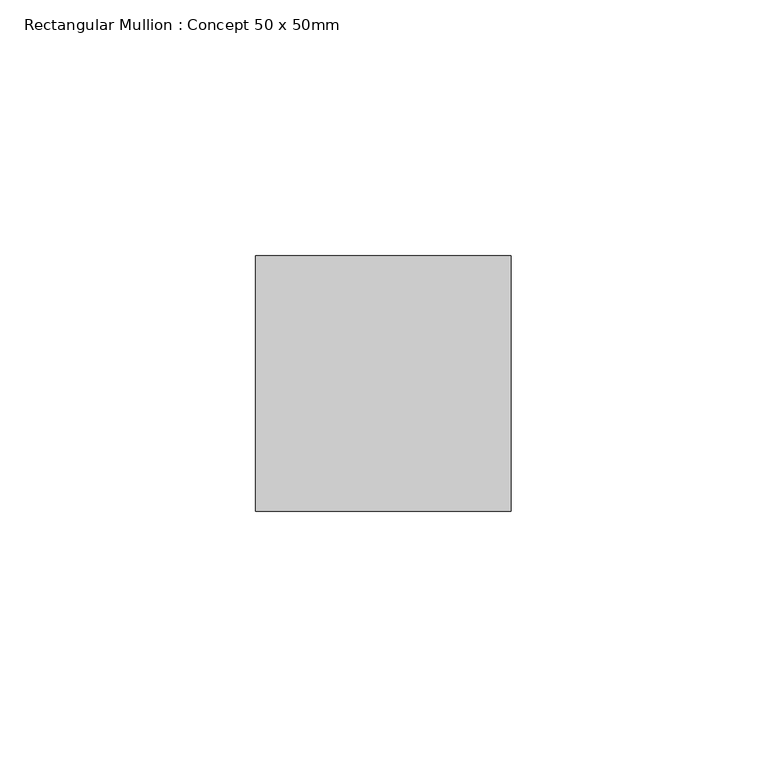
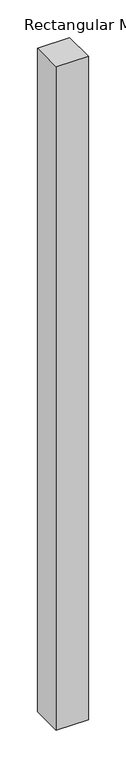
"""IFC4 building model written with IfcOpenShell, lengths in millimetres: member geometry, Rectangular Mullion : Concept 50 x 50mm."""

from ifc_helpers import new_model, si_unit, frame, origin, place, context, project, spatial, polyline, outline, extrude, source, transform, mapped, element, save


def rectangular_mullion_concept_50_x_50mm_f2736fd4(model_context):
    return source(origin(), model_context, "Body", "SweptSolid", [
        extrude(outline(polyline([(0.0, 50.0), (0.0, 0.0), (-50.0, 0.0), (-50.0, 50.0), (0.0, 50.0)])), frame((0.0, 0.0, -1080.0), z_axis=(0.0, 0.0, 1.0), x_axis=(1.0, 0.0, 0.0)), (0.0, 0.0, 1.0), 1080.0),
    ])


if __name__ == "__main__":
    model = new_model("IFC4")
    model_context = context("Model", 3, world=origin())
    ifc_project = project(units=[si_unit("LENGTHUNIT", "METRE", prefix="MILLI")], contexts=[model_context])
    site = spatial("IfcSite", under=ifc_project)
    building = spatial("IfcBuilding", under=site)
    placement = place(None, origin())
    rectangular_mullion_concept_50_x_50mm_shape = rectangular_mullion_concept_50_x_50mm_f2736fd4(model_context)
    element("IfcMember", 1, ObjectType="Rectangular Mullion : Concept 50 x 50mm", at=placement, inside=building, context=model_context, shape_type="MappedRepresentation", body=[
        mapped(rectangular_mullion_concept_50_x_50mm_shape, transform((0.0, 0.0, 0.0), x_axis=(1.0, 0.0, 0.0), y_axis=(0.0, 1.0, 0.0), z_axis=(0.0, 0.0, 1.0))),
    ])
    save(model, "model.ifc")
